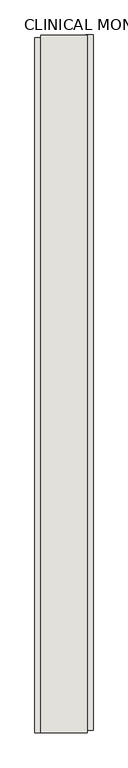
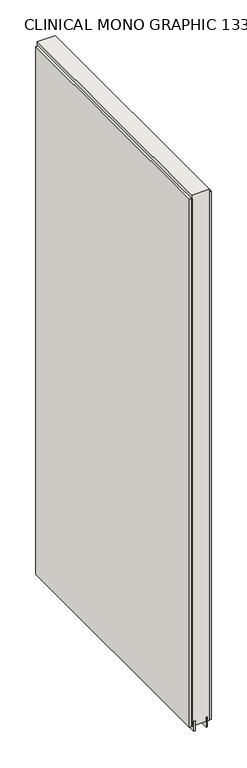
"""IFC4 building model written with IfcOpenShell, lengths in millimetres: wall geometry, CLINICAL MONO GRAPHIC 133976 : CLINICAL MONO GRAPHIC 133976."""

from ifc_helpers import new_model, si_unit, frame, origin, place, context, project, spatial, polyline, outline, extrude, source, transform, mapped, element, save


def clinical_mono_graphic_133976_clinical_mono_graphic_133976_446f0f95(model_context):
    return source(origin(), model_context, "Body", "SweptSolid", [
        extrude(outline(polyline([(72290.342211, -45580.6832352), (72290.342211, -45578.1432352), (72292.882211, -45578.1432352), (72292.882211, -45580.6832352), (72290.342211, -45580.6832352)])), frame((0.0, 0.0, 4419.6), z_axis=(0.0, 0.0, 1.0), x_axis=(1.0, 0.0, 0.0)), (0.0, 0.0, 1.0), 2.54),
        extrude(outline(polyline([(72342.412211, -45577.680117), (72342.412211, -46792.880125), (72329.712211, -46792.880125), (72329.712211, -45577.680117), (72342.412211, -45577.680117)])), frame((0.0, 0.0, 4445.0), z_axis=(0.0, 0.0, 1.0), x_axis=(1.0, 0.0, 0.0)), (0.0, 0.0, 1.0), 2545.0498756),
        extrude(outline(polyline([(72240.812211, -46797.8100618), (72240.812211, -45582.6100538), (72253.512211, -45582.6100538), (72253.512211, -46797.8100618), (72240.812211, -46797.8100618)])), frame((0.0, 0.0, 4445.0), z_axis=(0.0, 0.0, 1.0), x_axis=(1.0, 0.0, 0.0)), (0.0, 0.0, 1.0), 2545.0498756),
        extrude(outline(polyline([(72316.6959556, -46797.3419906), (72316.6959556, -45578.1419906), (72321.774711, -45578.1419906), (72321.774711, -46797.3419906), (72316.6959556, -46797.3419906)])), frame((0.0, 0.0, 4418.6602), z_axis=(0.0, 0.0, 1.0), x_axis=(1.0, 0.0, 0.0)), (0.0, 0.0, 1.0), 47.625),
        extrude(outline(polyline([(72316.6959556, -46797.3419906), (72316.6959556, -45578.1419906), (72321.774711, -45578.1419906), (72321.774711, -46797.3419906), (72316.6959556, -46797.3419906)])), frame((0.0, 0.0, 4418.6602), z_axis=(0.0, 0.0, 1.0), x_axis=(1.0, 0.0, 0.0)), (0.0, 0.0, 1.0), 47.625),
        extrude(outline(polyline([(72266.5284664, -45578.1419906), (72266.5284664, -46797.3419906), (72261.449711, -46797.3419906), (72261.449711, -45578.1419906), (72266.5284664, -45578.1419906)])), frame((0.0, 0.0, 4418.6602), z_axis=(0.0, 0.0, 1.0), x_axis=(1.0, 0.0, 0.0)), (0.0, 0.0, 1.0), 47.625),
        extrude(outline(polyline([(72266.5284664, -45578.1419906), (72266.5284664, -46797.3419906), (72261.449711, -46797.3419906), (72261.449711, -45578.1419906), (72266.5284664, -45578.1419906)])), frame((0.0, 0.0, 4418.6602), z_axis=(0.0, 0.0, 1.0), x_axis=(1.0, 0.0, 0.0)), (0.0, 0.0, 1.0), 47.625),
        extrude(outline(polyline([(72332.2670954, -46797.3419906), (72250.9573266, -46797.3419906), (72250.9573266, -45578.1419906), (72332.2670954, -45578.1419906), (72332.2670954, -46797.3419906)])), frame((0.0, 0.0, 4445.0), z_axis=(0.0, 0.0, 1.0), x_axis=(1.0, 0.0, 0.0)), (0.0, 0.0, 1.0), 2562.4536762),
    ])


if __name__ == "__main__":
    model = new_model("IFC4")
    model_context = context("Model", 3, world=origin())
    ifc_project = project(units=[si_unit("LENGTHUNIT", "METRE", prefix="MILLI")], contexts=[model_context])
    site = spatial("IfcSite", under=ifc_project)
    building = spatial("IfcBuilding", under=site)
    placement = place(None, origin())
    clinical_mono_graphic_133976_clinical_mono_graphic_133976_shape = clinical_mono_graphic_133976_clinical_mono_graphic_133976_446f0f95(model_context)
    element("IfcWall", 1, ObjectType="CLINICAL MONO GRAPHIC 133976 : CLINICAL MONO GRAPHIC 133976", at=placement, inside=building, context=model_context, shape_type="MappedRepresentation", body=[
        mapped(clinical_mono_graphic_133976_clinical_mono_graphic_133976_shape, transform((0.0, 0.0, 0.0), x_axis=(1.0, 0.0, 0.0), y_axis=(0.0, 1.0, 0.0), z_axis=(0.0, 0.0, 1.0))),
    ])
    save(model, "model.ifc")
